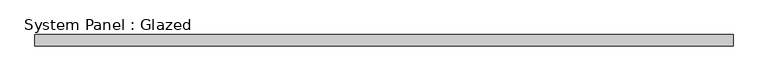
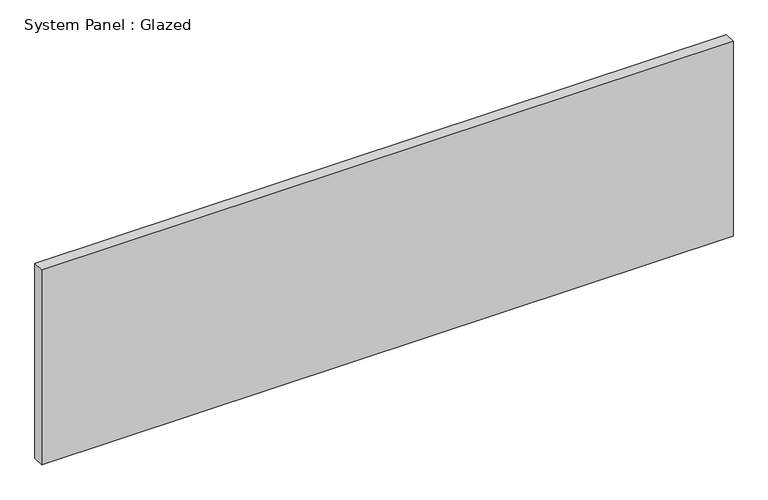
"""IFC4 building model written with IfcOpenShell, lengths in millimetres: plate geometry, System Panel : Glazed."""

from ifc_helpers import new_model, si_unit, origin, origin_with_axes, place, context, project, spatial, polyline, outline, extrude, source, transform, mapped, element, save


def system_panel_glazed_b019197b(model_context):
    return source(origin(), model_context, "Body", "SweptSolid", [
        extrude(outline(polyline([(768.35, 19.05), (-768.35, 19.05), (-768.35, 44.45), (768.35, 44.45), (768.35, 19.05)])), origin_with_axes(), (0.0, 0.0, 1.0), 457.2),
    ])


if __name__ == "__main__":
    model = new_model("IFC4")
    model_context = context("Model", 3, world=origin())
    ifc_project = project(units=[si_unit("LENGTHUNIT", "METRE", prefix="MILLI")], contexts=[model_context])
    site = spatial("IfcSite", under=ifc_project)
    building = spatial("IfcBuilding", under=site)
    placement = place(None, origin())
    system_panel_glazed_shape = system_panel_glazed_b019197b(model_context)
    element("IfcPlate", 1, ObjectType="System Panel : Glazed", at=placement, inside=building, context=model_context, shape_type="MappedRepresentation", body=[
        mapped(system_panel_glazed_shape, transform((0.0, 0.0, 0.0), x_axis=(1.0, 0.0, 0.0), y_axis=(0.0, 1.0, 0.0), z_axis=(0.0, 0.0, 1.0))),
    ])
    save(model, "model.ifc")
